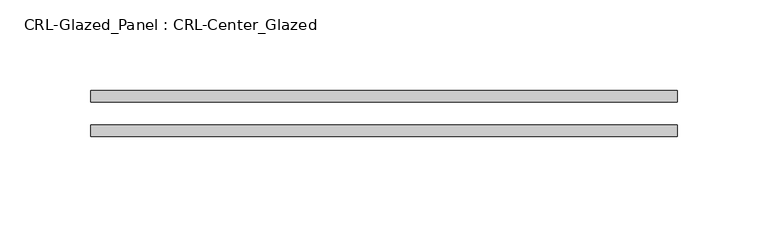
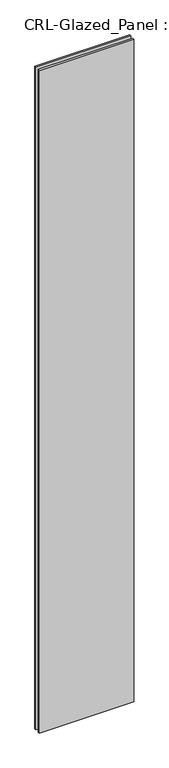
"""IFC4 building model written with IfcOpenShell, lengths in millimetres: plate geometry, CRL-Glazed_Panel : CRL-Center_Glazed."""

from ifc_helpers import new_model, si_unit, origin, origin_with_axes, place, context, project, spatial, polyline, outline, extrude, source, transform, mapped, element, save


def crl_glazed_panel_crl_center_glazed_3e66934f(model_context):
    return source(origin(), model_context, "Body", "SweptSolid", [
        extrude(outline(polyline([(161.8944344, 12.7), (161.8944344, 6.35), (-161.8944344, 6.35), (-161.8944344, 12.7), (161.8944344, 12.7)])), origin_with_axes(), (0.0, 0.0, 1.0), 2396.6435008),
        extrude(outline(polyline([(-161.8944344, -6.35), (161.8944344, -6.35), (161.8944344, -12.7), (-161.8944344, -12.7), (-161.8944344, -6.35)])), origin_with_axes(), (0.0, 0.0, 1.0), 2396.6435008),
    ])


if __name__ == "__main__":
    model = new_model("IFC4")
    model_context = context("Model", 3, world=origin())
    ifc_project = project(units=[si_unit("LENGTHUNIT", "METRE", prefix="MILLI")], contexts=[model_context])
    site = spatial("IfcSite", under=ifc_project)
    building = spatial("IfcBuilding", under=site)
    placement = place(None, origin())
    crl_glazed_panel_crl_center_glazed_shape = crl_glazed_panel_crl_center_glazed_3e66934f(model_context)
    element("IfcPlate", 1, ObjectType="CRL-Glazed_Panel : CRL-Center_Glazed", at=placement, inside=building, context=model_context, shape_type="MappedRepresentation", body=[
        mapped(crl_glazed_panel_crl_center_glazed_shape, transform((0.0, 0.0, 0.0), x_axis=(1.0, 0.0, 0.0), y_axis=(0.0, 1.0, 0.0), z_axis=(0.0, 0.0, 1.0))),
    ])
    save(model, "model.ifc")
